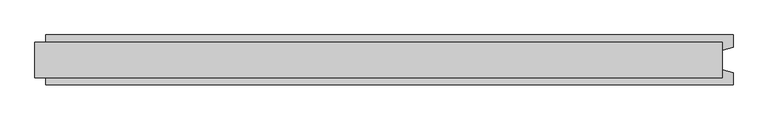
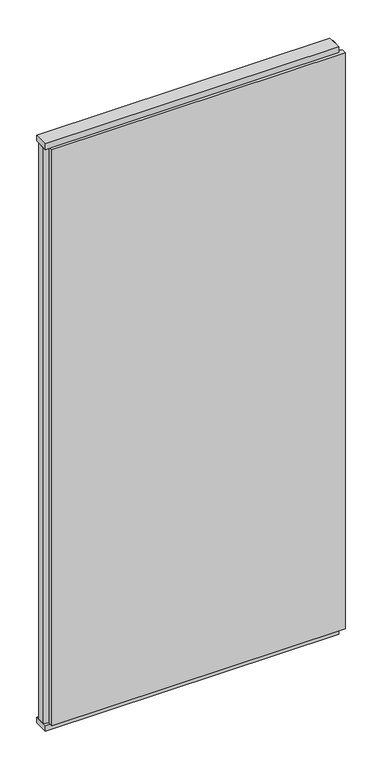
"""IFC4 building model written with IfcOpenShell, lengths in millimetres: plate geometry."""

from ifc_helpers import new_model, si_unit, frame, origin, origin_with_axes, place, context, project, spatial, polyline, outline, extrude, source, transform, mapped, element, save


def plate_c6fa93f7(model_context):
    return source(origin(), model_context, "Body", "SweptSolid", [
        extrude(outline(polyline([(620.0, 32.0), (620.0, -32.0), (-620.0, -32.0), (-620.0, 32.0), (620.0, 32.0)])), origin_with_axes(), (0.0, 0.0, 1.0), 25.0),
        extrude(outline(polyline([(620.0, 32.0), (620.0, -32.0), (-620.0, -32.0), (-620.0, 32.0), (620.0, 32.0)])), frame((0.0, 0.0, 2602.0), z_axis=(0.0, 0.0, 1.0), x_axis=(1.0, 0.0, 0.0)), (0.0, 0.0, 1.0), 25.0),
        extrude(outline(polyline([(640.0, 45.0), (640.0, 22.9993165), (620.0, 17.6401049), (620.0, -17.6401049), (640.0, -22.9993165), (640.0, -45.0), (-600.0, -45.0), (-600.0, -22.9993165), (-620.0, -17.6401049), (-620.0, 17.6401049), (-600.0, 22.9993165), (-600.0, 45.0), (640.0, 45.0)])), frame((0.0, 0.0, 25.0), z_axis=(0.0, 0.0, 1.0), x_axis=(1.0, 0.0, 0.0)), (0.0, 0.0, 1.0), 2577.0),
    ])


if __name__ == "__main__":
    model = new_model("IFC4")
    model_context = context("Model", 3, world=origin())
    ifc_project = project(units=[si_unit("LENGTHUNIT", "METRE", prefix="MILLI")], contexts=[model_context])
    site = spatial("IfcSite", under=ifc_project)
    building = spatial("IfcBuilding", under=site)
    placement = place(None, origin())
    plate_shape = plate_c6fa93f7(model_context)
    element("IfcPlate", 1, at=placement, inside=building, context=model_context, shape_type="MappedRepresentation", body=[
        mapped(plate_shape, transform((0.0, 0.0, 0.0), x_axis=(1.0, 0.0, 0.0), y_axis=(0.0, 1.0, 0.0), z_axis=(0.0, 0.0, 1.0))),
    ])
    save(model, "model.ifc")
